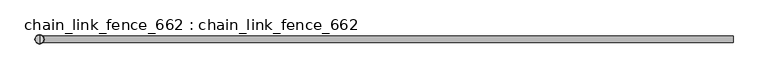
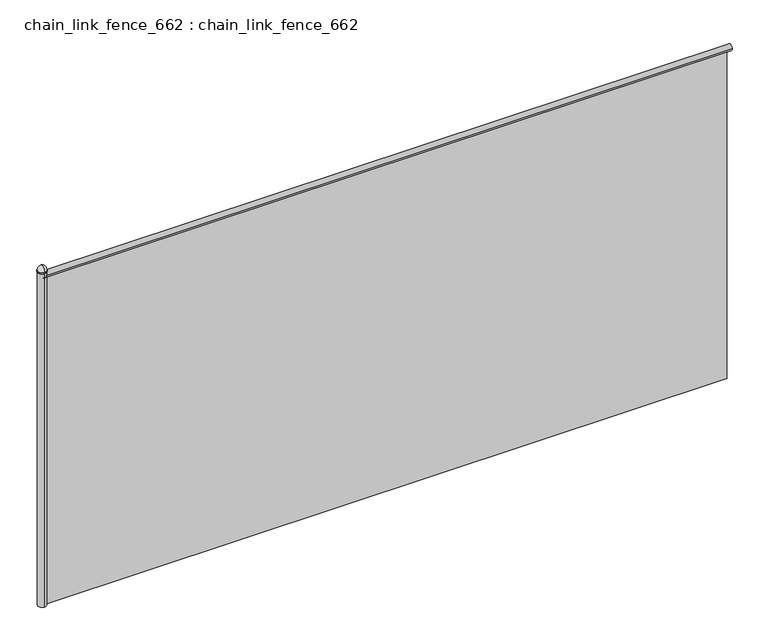
"""IFC4 building model written with IfcOpenShell, lengths in millimetres: proxy geometry, chain_link_fence_662 : chain_link_fence_662."""

from ifc_helpers import new_model, si_unit, point, frame, origin, origin_with_axes, place, context, project, spatial, polyline, circle_curve, ellipse_curve, trimmed, outline, extrude, source, transform, mapped, element, save
from ifc_brep_helpers import plane_surface, cylinder_surface, revolved_surface, advanced_brep


def chain_link_fence_662_chain_link_fence_662_c6b34c3f(model_context):
    return source(origin(), model_context, "Body", "SolidModel", [
        advanced_brep(
        [(0.0, 0.0, 2178.05), (0.0, -28.2826692, 2178.05), (0.0, 28.2826692, 2178.05), (0.0, 25.4, 2183.5305324), (0.0, -25.4, 2183.5305324), (0.0, 0.0, 2215.4486146), (0.0, 28.2826692, 2183.5305324), (0.0, -28.2826692, 2183.5305324)],
        [
            (0, 1),
            (1, 2, circle_curve(frame((0.0, 0.0, 2178.05), z_axis=(0.0, 0.0, -1.0), x_axis=(0.0, -1.0, 0.0)), 28.2826692)),
            (2, 0),
            (2, 1, circle_curve(frame((0.0, 0.0, 2178.05), z_axis=(0.0, 0.0, -1.0), x_axis=(0.0, -1.0, 0.0)), 28.2826692)),
            (3, 4, circle_curve(frame((0.0, 0.0, 2183.5305324), z_axis=(0.0, 0.0, 1.0), x_axis=(0.0, -1.0, 0.0)), 25.4)),
            (4, 5, circle_curve(frame((0.0, 6.3879428, 2184.2996337), z_axis=(-1.0, 0.0, 0.0), x_axis=(0.0, 1.0, 0.0)), 31.7972455)),
            (5, 3, circle_curve(frame((0.0, -6.3879428, 2184.2996337), z_axis=(-1.0, 0.0, 0.0), x_axis=(0.0, -1.0, 0.0)), 31.7972455)),
            (4, 3, circle_curve(frame((0.0, 0.0, 2183.5305324), z_axis=(0.0, 0.0, 1.0), x_axis=(0.0, -1.0, 0.0)), 25.4)),
            (6, 7, circle_curve(frame((0.0, 0.0, 2183.5305324), z_axis=(0.0, 0.0, 1.0), x_axis=(0.0, -1.0, 0.0)), 28.2826692)),
            (7, 4),
            (3, 6),
            (7, 6, circle_curve(frame((0.0, 0.0, 2183.5305324), z_axis=(0.0, 0.0, 1.0), x_axis=(0.0, -1.0, 0.0)), 28.2826692)),
            (1, 7),
            (6, 2),
        ],
        [
            plane_surface(frame((0.0, 0.0, 2178.05), z_axis=(0.0, 0.0, -1.0), x_axis=(0.0, -1.0, 0.0))),
            revolved_surface(trimmed(ellipse_curve(frame((0.0, 6.3879428, 2184.2996337), z_axis=(1.0, 0.0, 0.0), x_axis=(0.0, 1.0, 0.0)), 31.7972455, 31.7972455), [point((0.0, 0.0, 2215.4486146))], [point((0.0, -25.4, 2183.5305324))], True, "CARTESIAN"), (0.0, 0.0, 2285.5203947), (0.0, 0.0, -1.0)),
            plane_surface(frame((0.0, 0.0, 2183.5305324), z_axis=(0.0, 0.0, 1.0), x_axis=(0.0, -1.0, 0.0))),
            cylinder_surface(frame((0.0, 0.0, 2285.5203947), z_axis=(0.0, 0.0, -1.0), x_axis=(0.0, -1.0, 0.0)), 28.2826692),
        ],
        [
            (0, [[1, 2, 3]]),
            (0, [[-3, 4, -1]]),
            (1, [[5, 6, 7]]),
            (1, [[8, -7, -6]]),
            (2, [[9, 10, -5, 11]]),
            (2, [[12, -11, -8, -10]]),
            (3, [[-2, 13, -9, 14]]),
            (3, [[-4, -14, -12, -13]]),
        ],
    ),
        advanced_brep(
        [(0.0, 25.4, 0.0), (0.0, -25.4, 0.0), (0.0, -25.4, 2178.05), (0.0, 25.4, 2178.05), (0.0, 0.0, 0.0), (0.0, 0.0, 2178.05)],
        [
            (0, 1, circle_curve(frame((0.0, 0.0, 0.0), z_axis=(0.0, 0.0, 1.0), x_axis=(0.0, -1.0, 0.0)), 25.4)),
            (1, 2),
            (2, 3, circle_curve(frame((0.0, 0.0, 2178.05), z_axis=(0.0, 0.0, -1.0), x_axis=(0.0, -1.0, 0.0)), 25.4)),
            (3, 0),
            (1, 0, circle_curve(frame((0.0, 0.0, 0.0), z_axis=(0.0, 0.0, 1.0), x_axis=(0.0, -1.0, 0.0)), 25.4)),
            (3, 2, circle_curve(frame((0.0, 0.0, 2178.05), z_axis=(0.0, 0.0, -1.0), x_axis=(0.0, -1.0, 0.0)), 25.4)),
            (4, 1),
            (0, 4),
            (2, 5),
            (5, 3),
        ],
        [
            cylinder_surface(frame((0.0, 0.0, 2375.7836045), z_axis=(0.0, 0.0, -1.0), x_axis=(0.0, -1.0, 0.0)), 25.4),
            plane_surface(frame((0.0, 0.0, 0.0), z_axis=(0.0, 0.0, -1.0), x_axis=(0.0, -1.0, 0.0))),
            plane_surface(frame((0.0, 0.0, 2178.05), z_axis=(0.0, 0.0, 1.0), x_axis=(0.0, -1.0, 0.0))),
        ],
        [
            (0, [[1, 2, 3, 4]]),
            (0, [[5, -4, 6, -2]]),
            (1, [[7, -1, 8]]),
            (1, [[-8, -5, -7]]),
            (2, [[-3, 9, 10]]),
            (2, [[-6, -10, -9]]),
        ],
    ),
        advanced_brep(
        [(4246.6732269, -19.05, 2152.65), (4246.6732269, 19.05, 2152.65), (4246.6732269, 0.0, 2152.65), (0.0, -19.05, 2152.65), (0.0, 19.05, 2152.65), (0.0, 0.0, 2152.65)],
        [
            (0, 1, circle_curve(frame((4246.6732269, 0.0, 2152.65), z_axis=(1.0, 0.0, 0.0), x_axis=(0.0, 1.0, 0.0)), 19.05)),
            (1, 2),
            (2, 0),
            (1, 0, circle_curve(frame((4246.6732269, 0.0, 2152.65), z_axis=(1.0, 0.0, 0.0), x_axis=(0.0, 1.0, 0.0)), 19.05)),
            (3, 4, circle_curve(frame((0.0, 0.0, 2152.65), z_axis=(1.0, 0.0, 0.0), x_axis=(0.0, 1.0, 0.0)), 19.05)),
            (4, 1),
            (0, 3),
            (4, 3, circle_curve(frame((0.0, 0.0, 2152.65), z_axis=(1.0, 0.0, 0.0), x_axis=(0.0, 1.0, 0.0)), 19.05)),
            (5, 4),
            (3, 5),
        ],
        [
            plane_surface(frame((4246.6732269, 0.0, 2152.65), z_axis=(1.0, 0.0, 0.0), x_axis=(0.0, 1.0, 0.0))),
            cylinder_surface(frame((-263.9427188, 0.0, 2152.65), z_axis=(-1.0, 0.0, 0.0), x_axis=(0.0, 1.0, 0.0)), 19.05),
            plane_surface(frame((0.0, 0.0, 2152.65), z_axis=(-1.0, 0.0, 0.0), x_axis=(0.0, 1.0, 0.0))),
        ],
        [
            (0, [[1, 2, 3]]),
            (0, [[4, -3, -2]]),
            (1, [[5, 6, -1, 7]]),
            (1, [[8, -7, -4, -6]]),
            (2, [[9, -5, 10]]),
            (2, [[-10, -8, -9]]),
        ],
    ),
        extrude(outline(polyline([(4221.2732269, -3.175), (25.4, -3.175), (25.4, 3.175), (4221.2732269, 3.175), (4221.2732269, -3.175)])), origin_with_axes(), (0.0, 0.0, 1.0), 2133.6),
    ])


if __name__ == "__main__":
    model = new_model("IFC4")
    model_context = context("Model", 3, world=origin())
    ifc_project = project(units=[si_unit("LENGTHUNIT", "METRE", prefix="MILLI")], contexts=[model_context])
    site = spatial("IfcSite", under=ifc_project)
    building = spatial("IfcBuilding", under=site)
    placement = place(None, origin())
    chain_link_fence_662_chain_link_fence_662_shape = chain_link_fence_662_chain_link_fence_662_c6b34c3f(model_context)
    element("IfcBuildingElementProxy", 1, Name="chain_link_fence_662 : chain_link_fence_662", ObjectType="chain_link_fence_662 : chain_link_fence_662", at=placement, inside=building, context=model_context, shape_type="MappedRepresentation", body=[
        mapped(chain_link_fence_662_chain_link_fence_662_shape, transform((0.0, 0.0, 0.0), x_axis=(1.0, 0.0, 0.0), y_axis=(0.0, 1.0, 0.0), z_axis=(0.0, 0.0, 1.0))),
    ])
    save(model, "model.ifc")
